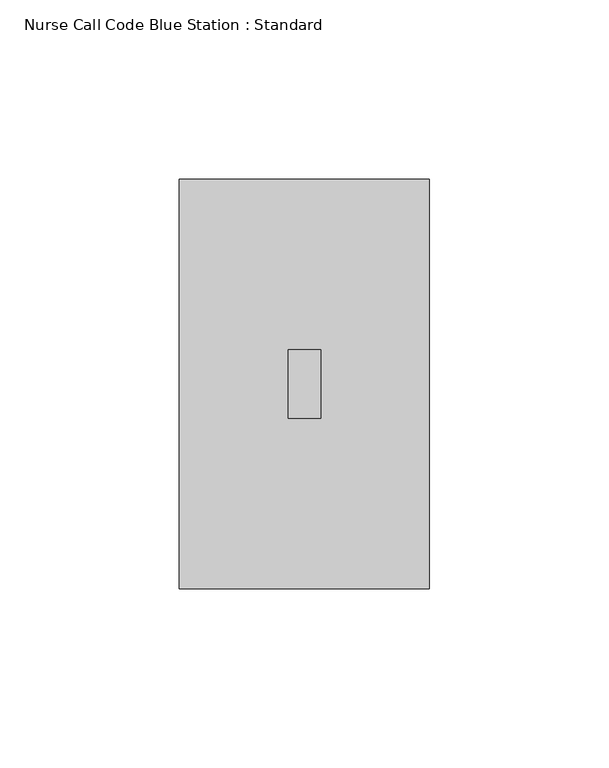
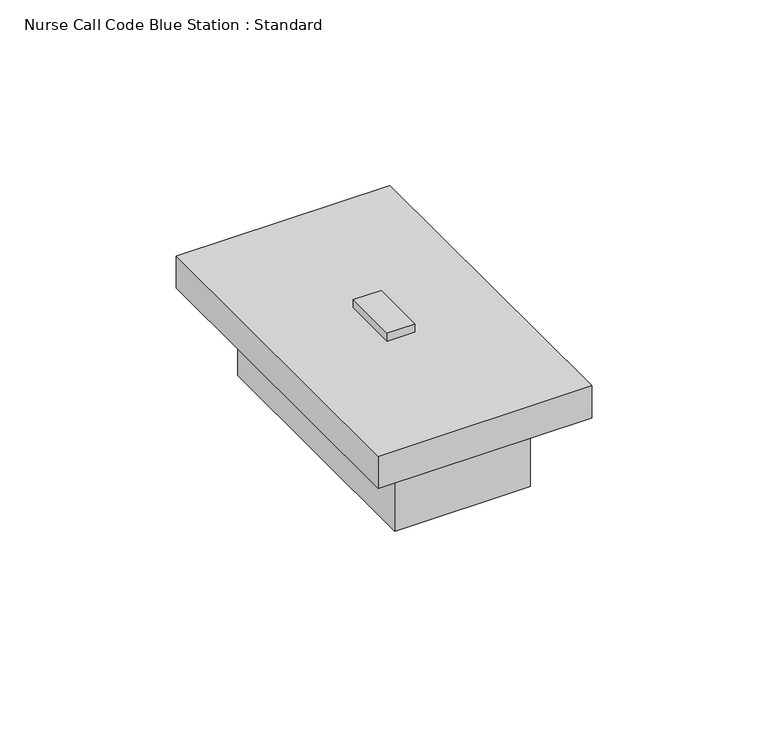
"""IFC4 building model written with IfcOpenShell, lengths in millimetres: switching device geometry, Nurse Call Code Blue Station : Standard."""

from ifc_helpers import new_model, si_unit, frame, origin, origin_with_axes, place, context, project, spatial, polyline, outline, extrude, source, transform, mapped, element, save


def nurse_call_code_blue_station_standard_86acbfed(model_context):
    return source(origin(), model_context, "Body", "SweptSolid", [
        extrude(outline(polyline([(22.225, -12.7), (22.225, -101.6), (-22.225, -101.6), (-22.225, -12.7), (22.225, -12.7)])), frame((0.0, 0.0, -26.9875), z_axis=(0.0, 0.0, 1.0), x_axis=(1.0, 0.0, 0.0)), (0.0, 0.0, 1.0), 26.9875),
        extrude(outline(polyline([(34.925, 0.0), (34.925, -114.3), (-34.925, -114.3), (-34.925, 0.0), (34.925, 0.0)])), origin_with_axes(), (0.0, 0.0, 1.0), 11.1125),
        extrude(outline(polyline([(4.5511511, -47.625), (4.5511511, -66.675), (-4.5511511, -66.675), (-4.5511511, -47.625), (4.5511511, -47.625)])), frame((0.0, 0.0, 11.1125), z_axis=(0.0, 0.0, 1.0), x_axis=(1.0, 0.0, 0.0)), (0.0, 0.0, 1.0), 3.175),
    ])


if __name__ == "__main__":
    model = new_model("IFC4")
    model_context = context("Model", 3, world=origin())
    ifc_project = project(units=[si_unit("LENGTHUNIT", "METRE", prefix="MILLI")], contexts=[model_context])
    site = spatial("IfcSite", under=ifc_project)
    building = spatial("IfcBuilding", under=site)
    placement = place(None, origin())
    nurse_call_code_blue_station_standard_shape = nurse_call_code_blue_station_standard_86acbfed(model_context)
    element("IfcSwitchingDevice", 1, ObjectType="Nurse Call Code Blue Station : Standard", at=placement, inside=building, context=model_context, shape_type="MappedRepresentation", body=[
        mapped(nurse_call_code_blue_station_standard_shape, transform((0.0, 0.0, 0.0), x_axis=(1.0, 0.0, 0.0), y_axis=(0.0, 1.0, 0.0), z_axis=(0.0, 0.0, 1.0))),
    ])
    save(model, "model.ifc")
